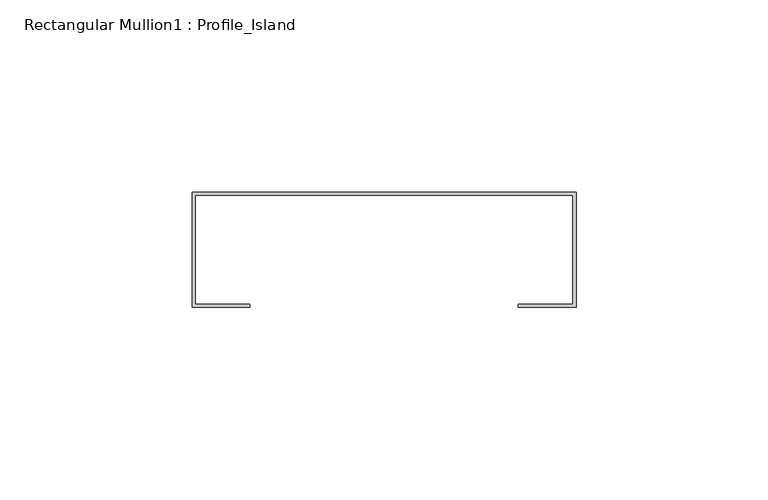
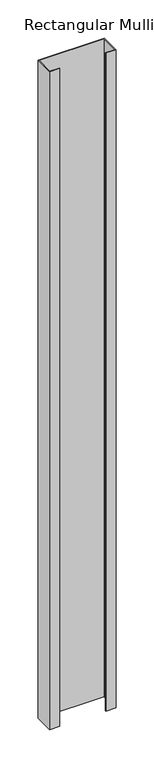
"""IFC4 building model written with IfcOpenShell, lengths in millimetres: member geometry, Rectangular Mullion1 : Profile_Island."""

from ifc_helpers import new_model, si_unit, frame, origin, place, context, project, spatial, polyline, outline, extrude, source, transform, mapped, element, save


def rectangular_mullion1_profile_island_ae30af9f(model_context):
    return source(origin(), model_context, "Body", "SweptSolid", [
        extrude(outline(polyline([(50.0, 32.0), (50.0, 2.0), (35.0, 2.0), (35.0, 2.8), (49.2, 2.8), (49.2, 31.2), (-49.2, 31.2), (-49.2, 2.8), (-35.0, 2.8), (-35.0, 2.0), (-50.0, 2.0), (-50.0, 32.0), (50.0, 32.0)])), frame((0.0, 0.0, -1049.8), z_axis=(0.0, 0.0, 1.0), x_axis=(1.0, 0.0, 0.0)), (0.0, 0.0, 1.0), 1049.8),
    ])


if __name__ == "__main__":
    model = new_model("IFC4")
    model_context = context("Model", 3, world=origin())
    ifc_project = project(units=[si_unit("LENGTHUNIT", "METRE", prefix="MILLI")], contexts=[model_context])
    site = spatial("IfcSite", under=ifc_project)
    building = spatial("IfcBuilding", under=site)
    placement = place(None, origin())
    rectangular_mullion1_profile_island_shape = rectangular_mullion1_profile_island_ae30af9f(model_context)
    element("IfcMember", 1, ObjectType="Rectangular Mullion1 : Profile_Island", at=placement, inside=building, context=model_context, shape_type="MappedRepresentation", body=[
        mapped(rectangular_mullion1_profile_island_shape, transform((0.0, 0.0, 0.0), x_axis=(1.0, 0.0, 0.0), y_axis=(0.0, 1.0, 0.0), z_axis=(0.0, 0.0, 1.0))),
    ])
    save(model, "model.ifc")
